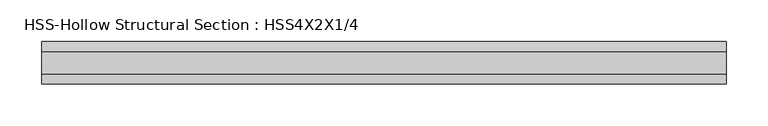
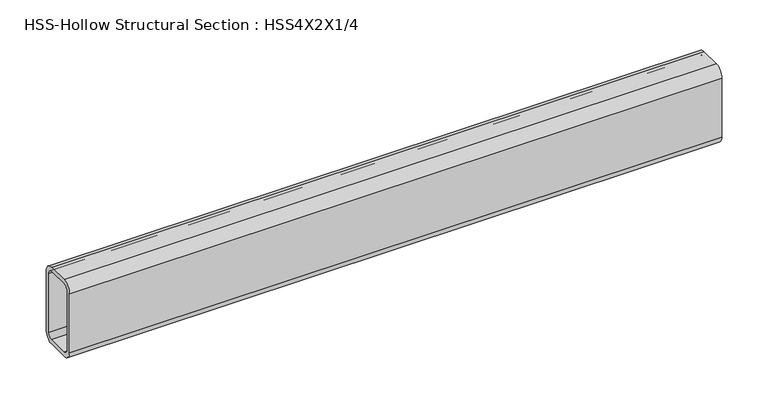
"""IFC4 building model written with IfcOpenShell, lengths in millimetres: beam geometry, HSS-Hollow Structural Section : HSS4X2X1/4."""

from ifc_helpers import new_model, si_unit, point, frame, frame_2d, origin, place, context, project, spatial, polyline, circle_curve, trimmed, segment, composite_curve, outline, extrude, source, transform, mapped, element, save


def hss_hollow_structural_section_hss4x2x1_4_b32c27ce(model_context):
    return source(origin(), model_context, "Body", "SweptSolid", [
        extrude(outline(composite_curve([segment(polyline([(25.4, 38.9636), (25.4, -38.9636)]), True, "CONTINUOUS"), segment(trimmed(circle_curve(frame_2d((13.5636, -38.9636)), 11.8364), [point((25.4, -38.9636))], [point((13.5636, -50.8))], False, "CARTESIAN"), True, "CONTINUOUS"), segment(polyline([(13.5636, -50.8), (-13.5636, -50.8)]), True, "CONTINUOUS"), segment(trimmed(circle_curve(frame_2d((-13.5636, -38.9636)), 11.8364), [point((-13.5636, -50.8))], [point((-25.4, -38.9636))], False, "CARTESIAN"), True, "CONTINUOUS"), segment(polyline([(-25.4, -38.9636), (-25.4, 38.9636)]), True, "CONTINUOUS"), segment(trimmed(circle_curve(frame_2d((-13.5636, 38.9636)), 11.8364), [point((-25.4, 38.9636))], [point((-13.5636, 50.8))], False, "CARTESIAN"), True, "CONTINUOUS"), segment(polyline([(-13.5636, 50.8), (13.5636, 50.8)]), True, "CONTINUOUS"), segment(trimmed(circle_curve(frame_2d((13.5636, 38.9636)), 11.8364), [point((13.5636, 50.8))], [point((25.4, 38.9636))], False, "CARTESIAN"), True, "CONTINUOUS")], self_intersect=False), holes=[composite_curve([segment(trimmed(circle_curve(frame_2d((-13.5636, 38.9636)), 5.9182), [point((-13.5636, 44.8818))], [point((-19.4818, 38.9636))], True, "CARTESIAN"), True, "CONTINUOUS"), segment(polyline([(-19.4818, 38.9636), (-19.4818, -38.9636)]), True, "CONTINUOUS"), segment(trimmed(circle_curve(frame_2d((-13.5636, -38.9636)), 5.9182), [point((-19.4818, -38.9636))], [point((-13.5636, -44.8818))], True, "CARTESIAN"), True, "CONTINUOUS"), segment(polyline([(-13.5636, -44.8818), (13.5636, -44.8818)]), True, "CONTINUOUS"), segment(trimmed(circle_curve(frame_2d((13.5636, -38.9636)), 5.9182), [point((13.5636, -44.8818))], [point((19.4818, -38.9636))], True, "CARTESIAN"), True, "CONTINUOUS"), segment(polyline([(19.4818, -38.9636), (19.4818, 38.9636)]), True, "CONTINUOUS"), segment(trimmed(circle_curve(frame_2d((13.5636, 38.9636)), 5.9182), [point((19.4818, 38.9636))], [point((13.5636, 44.8818))], True, "CARTESIAN"), True, "CONTINUOUS"), segment(polyline([(13.5636, 44.8818), (-13.5636, 44.8818)]), True, "CONTINUOUS")], self_intersect=False)]), frame((-408.6998279, 0.0, 0.0), z_axis=(1.0, 0.0, 0.0), x_axis=(0.0, 1.0, 0.0)), (0.0, 0.0, 1.0), 817.3197733),
    ])


if __name__ == "__main__":
    model = new_model("IFC4")
    model_context = context("Model", 3, world=origin())
    ifc_project = project(units=[si_unit("LENGTHUNIT", "METRE", prefix="MILLI")], contexts=[model_context])
    site = spatial("IfcSite", under=ifc_project)
    building = spatial("IfcBuilding", under=site)
    placement = place(None, origin())
    hss_hollow_structural_section_hss4x2x1_4_shape = hss_hollow_structural_section_hss4x2x1_4_b32c27ce(model_context)
    element("IfcBeam", 1, ObjectType="HSS-Hollow Structural Section : HSS4X2X1/4", at=placement, inside=building, context=model_context, shape_type="MappedRepresentation", body=[
        mapped(hss_hollow_structural_section_hss4x2x1_4_shape, transform((0.0, 0.0, 0.0), x_axis=(1.0, 0.0, 0.0), y_axis=(0.0, 1.0, 0.0), z_axis=(0.0, 0.0, 1.0))),
    ])
    save(model, "model.ifc")
